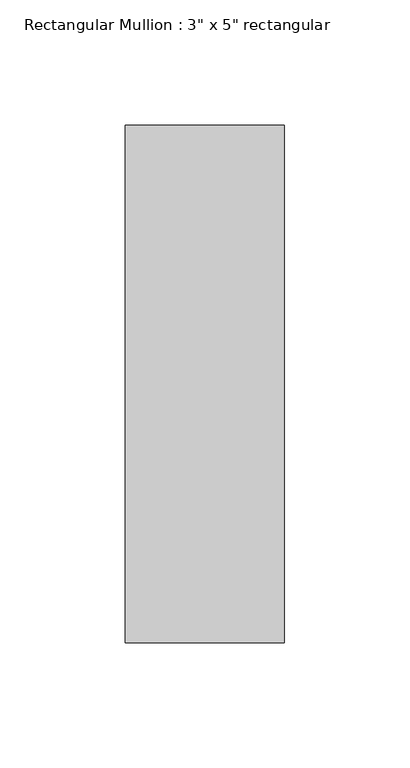
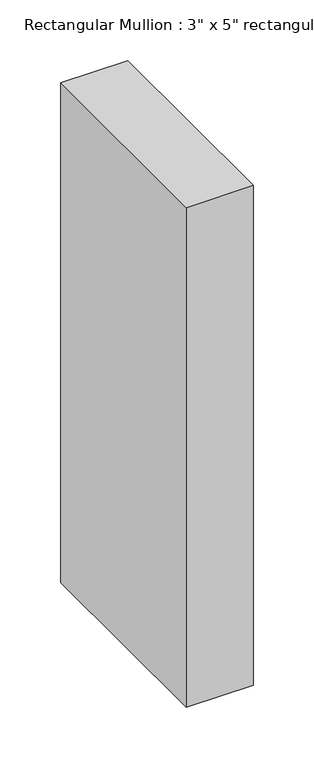
"""IFC4 building model written with IfcOpenShell, lengths in millimetres: member geometry."""

from ifc_helpers import new_model, si_unit, frame, origin, place, context, project, spatial, polyline, outline, extrude, source, transform, mapped, element, save


def member_9e6c7349(model_context):
    return source(origin(), model_context, "Body", "SweptSolid", [
        extrude(outline(polyline([(31.75, 90.551), (31.75, -115.951), (-31.75, -115.951), (-31.75, 90.551), (31.75, 90.551)])), frame((0.0, 0.0, -501.65), z_axis=(0.0, 0.0, 1.0), x_axis=(1.0, 0.0, 0.0)), (0.0, 0.0, 1.0), 501.65),
    ])


if __name__ == "__main__":
    model = new_model("IFC4")
    model_context = context("Model", 3, world=origin())
    ifc_project = project(units=[si_unit("LENGTHUNIT", "METRE", prefix="MILLI")], contexts=[model_context])
    site = spatial("IfcSite", under=ifc_project)
    building = spatial("IfcBuilding", under=site)
    placement = place(None, origin())
    member_shape = member_9e6c7349(model_context)
    element("IfcMember", 1, ObjectType="Rectangular Mullion : 3\" x 5\" rectangular", at=placement, inside=building, context=model_context, shape_type="MappedRepresentation", body=[
        mapped(member_shape, transform((0.0, 0.0, 0.0), x_axis=(1.0, 0.0, 0.0), y_axis=(0.0, 1.0, 0.0), z_axis=(0.0, 0.0, 1.0))),
    ])
    save(model, "model.ifc")
